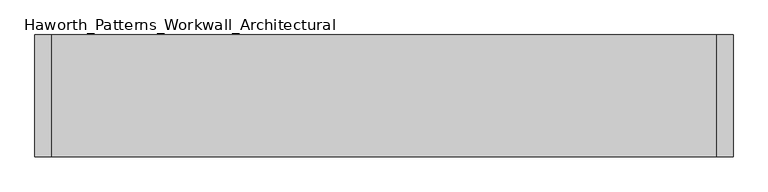
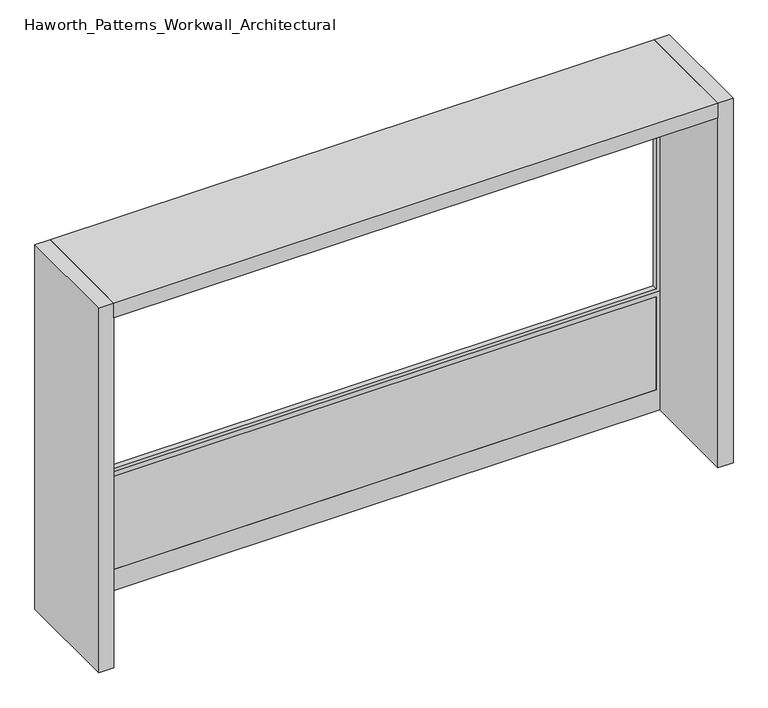
"""IFC4 building model written with IfcOpenShell, lengths in millimetres: furniture geometry, Haworth_Patterns_Workwall_Architectural."""

import ifcopenshell
import ifcopenshell.guid

model = None  # the IFC model being written
_history = None  # IfcOwnerHistory: only IFC2X3 demands one
_inside = {}  # id of a spatial element -> (the spatial element, [elements in it])
_under = {}  # id of a project, library or spatial element -> (it, [spatial elements below it])
_declared = {}  # id of a project -> (the project, [libraries it declares])
_typed = {}  # id of a type object -> (the type object, [elements of that type])
_made_of = {}  # id of a material, layer set ... -> (it, [elements and type objects made of it])


def new_model(schema):
    """Start an empty IFC model of exactly this schema.

    Asked for "IFC4X3", IfcOpenShell would pick the latest addendum, in which some entities
    have other attributes; the version numbers below select the first issue.
    IFC2X3 requires an IfcOwnerHistory on every rooted entity: one is made here for all.
    """
    global model, _history
    if schema == "IFC4X3":
        model = ifcopenshell.file(schema_version=(4, 3, 0, 0))
    else:
        model = ifcopenshell.file(schema=schema)
    _inside.clear()
    _under.clear()
    _declared.clear()
    _typed.clear()
    _made_of.clear()
    _history = None
    if model.schema == "IFC2X3":
        org = make("IfcOrganization", Name="unknown")
        user = make(
            "IfcPersonAndOrganization",
            ThePerson=make("IfcPerson", FamilyName="unknown"),
            TheOrganization=org,
        )
        app = make(
            "IfcApplication",
            ApplicationDeveloper=org,
            Version="unknown",
            ApplicationFullName="unknown",
            ApplicationIdentifier="unknown",
        )
        _history = make(
            "IfcOwnerHistory",
            OwningUser=user,
            OwningApplication=app,
            ChangeAction="ADDED",
            CreationDate=0,
        )
    return model


def make(cls, **values):
    """One entity of the class cls with the attributes given. An attribute that is None is left unset."""
    return model.create_entity(
        cls, **{name: value for name, value in values.items() if value is not None}
    )


def rooted(cls, **values):
    """An entity with a GlobalId (a new one), such as an element, a storey or a relation."""
    return make(cls, GlobalId=ifcopenshell.guid.new(), OwnerHistory=_history, **values)


def si_unit(unit_type, name, prefix=None):
    """IfcSIUnit, for example si_unit("LENGTHUNIT", "METRE", prefix="MILLI")."""
    return make("IfcSIUnit", UnitType=unit_type, Prefix=prefix, Name=name)


def assignment(units):
    """IfcUnitAssignment: the units of a project."""
    return None if units is None else make("IfcUnitAssignment", Units=units)


def point(xyz):
    """IfcCartesianPoint."""
    return None if xyz is None else make("IfcCartesianPoint", Coordinates=xyz)


def direction(xyz):
    """IfcDirection."""
    return None if xyz is None else make("IfcDirection", DirectionRatios=xyz)


def frame(location, z_axis=None, x_axis=None):
    """IfcAxis2Placement3D, a coordinate frame: its origin and axes. An axis left out is left unset."""
    return make(
        "IfcAxis2Placement3D",
        Location=point(location),
        Axis=direction(z_axis),
        RefDirection=direction(x_axis),
    )


def origin():
    """The frame at (0, 0, 0) with its axes left unset."""
    return frame((0.0, 0.0, 0.0))


def origin_with_axes():
    """The frame at (0, 0, 0) with the z axis (0, 0, 1) and the x axis (1, 0, 0) written out."""
    return frame((0.0, 0.0, 0.0), z_axis=(0.0, 0.0, 1.0), x_axis=(1.0, 0.0, 0.0))


def place(relative_to, where):
    """IfcLocalPlacement: puts the frame where relative to a parent placement (None: the world)."""
    return make(
        "IfcLocalPlacement", PlacementRelTo=relative_to, RelativePlacement=where
    )


def context(
    kind, dimensions, precision=None, world=None, true_north=None, identifier=None
):
    """IfcGeometricRepresentationContext, for example the 3D "Model" context."""
    return make(
        "IfcGeometricRepresentationContext",
        ContextIdentifier=identifier,
        ContextType=kind,
        CoordinateSpaceDimension=dimensions,
        Precision=precision,
        WorldCoordinateSystem=world,
        TrueNorth=true_north,
    )


def project(units=None, contexts=None):
    """IfcProject with its units and contexts."""
    return rooted(
        "IfcProject",
        Name="project",
        RepresentationContexts=contexts,
        UnitsInContext=assignment(units),
    )


def spatial(cls, under=None, at=None, **own):
    """A site, building, storey or space (cls), placed at a placement, below another one or the project."""
    s = rooted(cls, ObjectPlacement=at, **own)
    if under is not None:
        _under.setdefault(under.id(), (under, []))[1].append(s)
    return s


def polyline(points):
    """IfcPolyline through the points."""
    return make("IfcPolyline", Points=[point(p) for p in points])


def outline(outer, holes=None, kind="AREA"):
    """IfcArbitraryClosedProfileDef: a profile drawn as a closed curve; with holes, ...WithVoids."""
    if holes is None:
        return make("IfcArbitraryClosedProfileDef", ProfileType=kind, OuterCurve=outer)
    return make(
        "IfcArbitraryProfileDefWithVoids",
        ProfileType=kind,
        OuterCurve=outer,
        InnerCurves=holes,
    )


def extrude(swept, where, along, depth):
    """IfcExtrudedAreaSolid: the profile swept, set in the frame where, extruded along a direction by depth."""
    return make(
        "IfcExtrudedAreaSolid",
        SweptArea=swept,
        Position=where,
        ExtrudedDirection=direction(along),
        Depth=depth,
    )


def shape(context_of_items, identifier, shape_type, items):
    """IfcShapeRepresentation: the items that make up one representation, for example the "Body"."""
    return make(
        "IfcShapeRepresentation",
        ContextOfItems=context_of_items,
        RepresentationIdentifier=identifier,
        RepresentationType=shape_type,
        Items=items,
    )


def source(mapping_origin, context_of_items, identifier, shape_type, items):
    """IfcRepresentationMap: a shape defined once, which mapped items show again and again."""
    return make(
        "IfcRepresentationMap",
        MappingOrigin=mapping_origin,
        MappedRepresentation=shape(context_of_items, identifier, shape_type, items),
    )


def transform(
    local_origin,
    x_axis=None,
    y_axis=None,
    z_axis=None,
    scale=None,
    scale2=None,
    scale3=None,
    uniform=True,
):
    """IfcCartesianTransformationOperator3D, or its non-uniform kind. x_axis, y_axis, z_axis: its Axis1, 2, 3."""
    if uniform:
        return make(
            "IfcCartesianTransformationOperator3D",
            Axis1=direction(x_axis),
            Axis2=direction(y_axis),
            LocalOrigin=point(local_origin),
            Scale=scale,
            Axis3=direction(z_axis),
        )
    return make(
        "IfcCartesianTransformationOperator3DnonUniform",
        Axis1=direction(x_axis),
        Axis2=direction(y_axis),
        LocalOrigin=point(local_origin),
        Scale=scale,
        Axis3=direction(z_axis),
        Scale2=scale2,
        Scale3=scale3,
    )


def mapped(mapping_source, mapping_target):
    """IfcMappedItem: shows the shape of a source again, moved by a transform."""
    return make(
        "IfcMappedItem", MappingSource=mapping_source, MappingTarget=mapping_target
    )


def made_of(thing, what):
    """Note that an element or type object is made of a material, layer set ...; save() writes the relation."""
    if what is not None:
        _made_of.setdefault(what.id(), (what, []))[1].append(thing)
    return thing


def element(
    cls,
    number,
    at=None,
    inside=None,
    cuts=None,
    type_object=None,
    material=None,
    context=None,
    identifier="Body",
    shape_type=None,
    held_by="IfcProductDefinitionShape",
    body=None,
    shapes=None,
    **own,
):
    """One element of the class cls, such as IfcWall. Its Tag is "e" and its number.

    at: its placement. inside: the storey or other place that contains it. cuts: it is an
    opening in that element (IfcRelVoidsElement). A single representation is given by context,
    identifier, shape_type and body (its items); several are given by shapes. held_by: the class
    of the entity that holds the representations. save() writes the other relations.
    """
    e = rooted(cls, Tag="e%d" % number, ObjectPlacement=at, **own)
    if body is not None:
        shapes = [shape(context, identifier, shape_type, body)]
    if shapes is not None:
        e.Representation = make(held_by, Representations=shapes)
    if inside is not None:
        _inside.setdefault(inside.id(), (inside, []))[1].append(e)
    if cuts is not None:
        rooted(
            "IfcRelVoidsElement", RelatingBuildingElement=cuts, RelatedOpeningElement=e
        )
    if type_object is not None:
        _typed.setdefault(type_object.id(), (type_object, []))[1].append(e)
    return made_of(e, material)


def aggregate(whole, parts):
    """IfcRelAggregates: a whole, such as a stair, and the parts it consists of."""
    return rooted("IfcRelAggregates", RelatingObject=whole, RelatedObjects=parts)


def save(model, path):
    """Write the relations noted so far, then the file.

    IfcRelAggregates (storeys below a building ...), IfcRelContainedInSpatialStructure (elements
    in a storey), IfcRelDefinesByType, IfcRelAssociatesMaterial and IfcRelDeclares: one each for
    every whole, place, type object, material and project.
    """
    for whole, parts in _under.values():
        aggregate(whole, parts)
    for where, things in _inside.values():
        rooted(
            "IfcRelContainedInSpatialStructure",
            RelatedElements=things,
            RelatingStructure=where,
        )
    for kind, things in _typed.values():
        rooted("IfcRelDefinesByType", RelatedObjects=things, RelatingType=kind)
    for what, things in _made_of.values():
        rooted("IfcRelAssociatesMaterial", RelatedObjects=things, RelatingMaterial=what)
    for by, libraries in _declared.values():
        rooted("IfcRelDeclares", RelatingContext=by, RelatedDefinitions=libraries)
    model.write(path)


def haworth_patterns_workwall_architectural_d2e3b697(model_context):
    return source(origin(), model_context, "Body", "SweptSolid", [
        extrude(outline(polyline([(1866.9, 914.4), (1866.9, -2133.6), (635.0, -2133.6), (635.0, 914.4), (1866.9, 914.4)]), holes=[polyline([(1847.85, 895.35), (654.05, 895.35), (654.05, -2114.55), (1847.85, -2114.55), (1847.85, 895.35)])]), frame((0.0, 330.2, 0.0), z_axis=(0.0, 1.0, 0.0), x_axis=(0.0, 0.0, 1.0)), (0.0, 0.0, 1.0), 25.4),
        extrude(outline(polyline([(895.35, 330.2), (-2114.55, 330.2), (-2114.55, 355.6), (895.35, 355.6), (895.35, 330.2)])), frame((0.0, 0.0, 114.3), z_axis=(0.0, 0.0, 1.0), x_axis=(1.0, 0.0, 0.0)), (0.0, 0.0, 1.0), 495.3),
        extrude(outline(polyline([(635.0, 914.4), (635.0, -2133.6), (0.0, -2133.6), (0.0, 914.4), (635.0, 914.4)]), holes=[polyline([(609.6, 895.35), (114.3, 895.35), (114.3, -2114.55), (609.6, -2114.55), (609.6, 895.35)])]), frame((0.0, 330.2, 0.0), z_axis=(0.0, 1.0, 0.0), x_axis=(0.0, 0.0, 1.0)), (0.0, 0.0, 1.0), 25.4),
        extrude(outline(polyline([(914.4, -177.8), (-2133.6, -177.8), (-2133.6, 381.0), (914.4, 381.0), (914.4, -177.8)])), frame((0.0, 0.0, 1866.9), z_axis=(0.0, 0.0, 1.0), x_axis=(1.0, 0.0, 0.0)), (0.0, 0.0, 1.0), 76.2),
        extrude(outline(polyline([(990.6, 381.0), (990.6, -177.8), (914.4, -177.8), (914.4, 381.0), (990.6, 381.0)])), origin_with_axes(), (0.0, 0.0, 1.0), 1943.1),
        extrude(outline(polyline([(-2133.6, 381.0), (-2133.6, -177.8), (-2209.8, -177.8), (-2209.8, 381.0), (-2133.6, 381.0)])), origin_with_axes(), (0.0, 0.0, 1.0), 1943.1),
    ])


if __name__ == "__main__":
    model = new_model("IFC4")
    model_context = context("Model", 3, world=origin())
    ifc_project = project(units=[si_unit("LENGTHUNIT", "METRE", prefix="MILLI")], contexts=[model_context])
    site = spatial("IfcSite", under=ifc_project)
    building = spatial("IfcBuilding", under=site)
    placement = place(None, origin())
    haworth_patterns_workwall_architectural_shape = haworth_patterns_workwall_architectural_d2e3b697(model_context)
    element("IfcFurniture", 1, ObjectType="Haworth_Patterns_Workwall_Architectural", at=placement, inside=building, context=model_context, shape_type="MappedRepresentation", body=[
        mapped(haworth_patterns_workwall_architectural_shape, transform((0.0, 0.0, 0.0), x_axis=(1.0, 0.0, 0.0), y_axis=(0.0, 1.0, 0.0), z_axis=(0.0, 0.0, 1.0))),
    ])
    save(model, "model.ifc")
